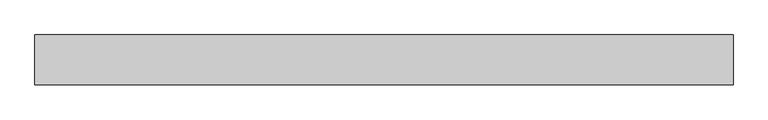
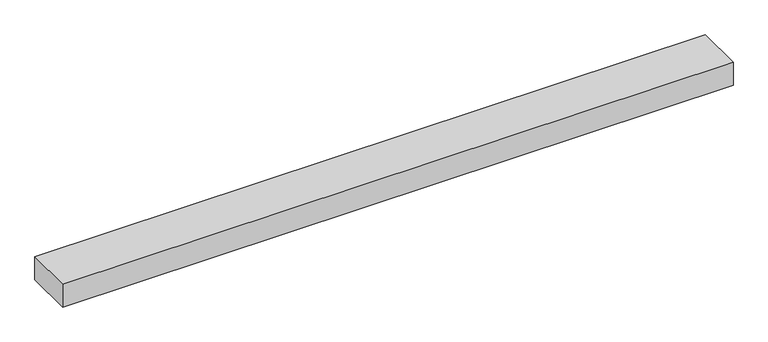
"""IFC4 building model written with IfcOpenShell, lengths in millimetres: proxy geometry."""

from ifc_helpers import new_model, si_unit, origin, origin_with_axes, place, context, project, spatial, polyline, outline, extrude, source, transform, mapped, element, save


def generic_models_fe4d25d1(model_context):
    return source(origin(), model_context, "Body", "SweptSolid", [
        extrude(outline(polyline([(2800.0, -100.0), (0.0, -100.0), (0.0, 100.0), (2800.0, 100.0), (2800.0, -100.0)])), origin_with_axes(), (0.0, 0.0, 1.0), 100.0),
    ])


if __name__ == "__main__":
    model = new_model("IFC4")
    model_context = context("Model", 3, world=origin())
    ifc_project = project(units=[si_unit("LENGTHUNIT", "METRE", prefix="MILLI")], contexts=[model_context])
    site = spatial("IfcSite", under=ifc_project)
    building = spatial("IfcBuilding", under=site)
    placement = place(None, origin())
    generic_models_shape = generic_models_fe4d25d1(model_context)
    element("IfcBuildingElementProxy", 1, Name="Generic Models", at=placement, inside=building, context=model_context, shape_type="MappedRepresentation", body=[
        mapped(generic_models_shape, transform((0.0, 0.0, 0.0), x_axis=(1.0, 0.0, 0.0), y_axis=(0.0, 1.0, 0.0), z_axis=(0.0, 0.0, 1.0))),
    ])
    save(model, "model.ifc")
